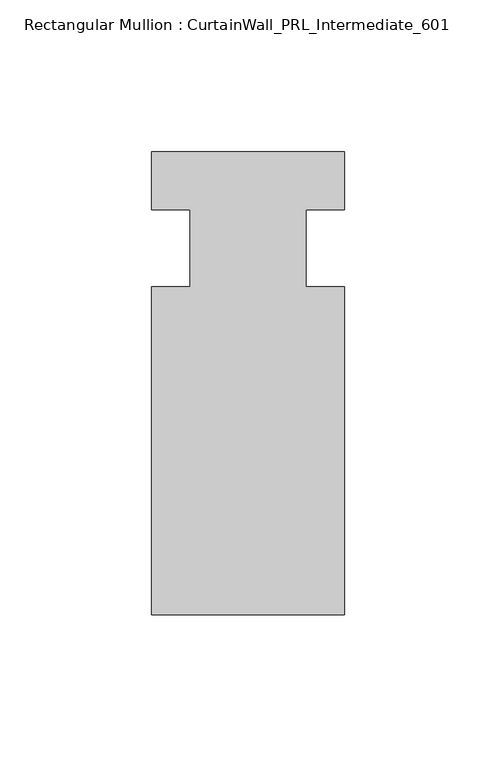
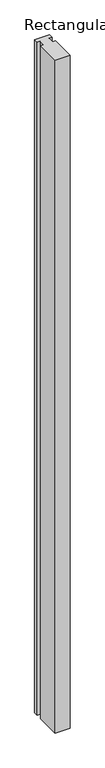
"""IFC4 building model written with IfcOpenShell, lengths in millimetres: member geometry, Rectangular Mullion : CurtainWall_PRL_Intermediate_601."""

from ifc_helpers import new_model, si_unit, frame, origin, place, context, project, spatial, polyline, outline, extrude, source, transform, mapped, element, save


def rectangular_mullion_curtainwall_prl_intermediate_601_7ee2c905(model_context):
    return source(origin(), model_context, "Body", "SweptSolid", [
        extrude(outline(polyline([(-19.05, -12.7), (-19.05, 12.7), (-31.75, 12.7), (-31.75, 31.75), (31.75, 31.75), (31.75, 12.7), (19.05, 12.7), (19.05, -12.7), (31.75, -12.7), (31.75, -120.65), (-31.75, -120.65), (-31.75, -12.7), (-19.05, -12.7)])), frame((0.0, 0.0, -3048.0), z_axis=(0.0, 0.0, 1.0), x_axis=(1.0, 0.0, 0.0)), (0.0, 0.0, 1.0), 3048.0),
    ])


if __name__ == "__main__":
    model = new_model("IFC4")
    model_context = context("Model", 3, world=origin())
    ifc_project = project(units=[si_unit("LENGTHUNIT", "METRE", prefix="MILLI")], contexts=[model_context])
    site = spatial("IfcSite", under=ifc_project)
    building = spatial("IfcBuilding", under=site)
    placement = place(None, origin())
    rectangular_mullion_curtainwall_prl_intermediate_601_shape = rectangular_mullion_curtainwall_prl_intermediate_601_7ee2c905(model_context)
    element("IfcMember", 1, ObjectType="Rectangular Mullion : CurtainWall_PRL_Intermediate_601", at=placement, inside=building, context=model_context, shape_type="MappedRepresentation", body=[
        mapped(rectangular_mullion_curtainwall_prl_intermediate_601_shape, transform((0.0, 0.0, 0.0), x_axis=(1.0, 0.0, 0.0), y_axis=(0.0, 1.0, 0.0), z_axis=(0.0, 0.0, 1.0))),
    ])
    save(model, "model.ifc")
